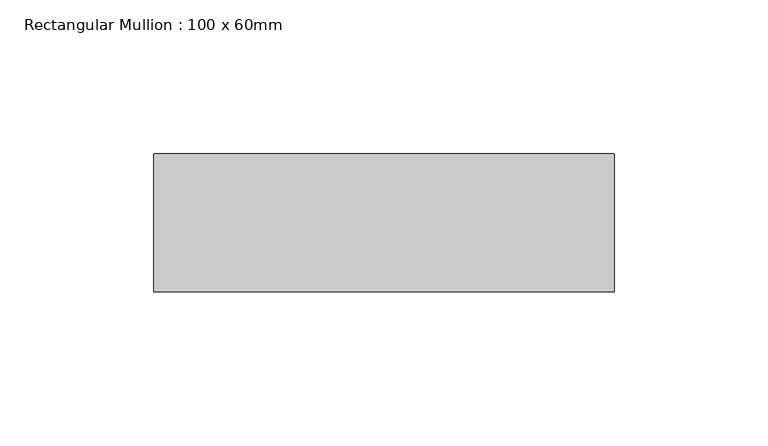
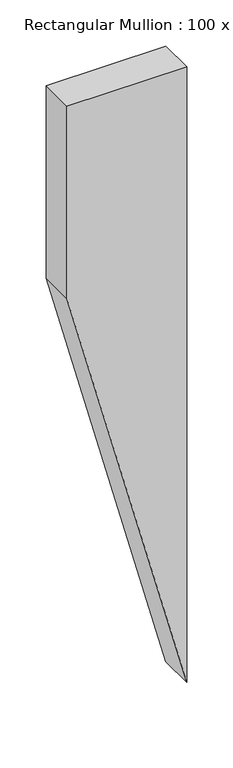
"""IFC4 building model written with IfcOpenShell, lengths in millimetres: member geometry, Rectangular Mullion : 100 x 60mm."""

from ifc_helpers import new_model, si_unit, frame, origin, place, context, project, spatial, polyline, outline, extrude, source, transform, mapped, element, save


def rectangular_mullion_100_x_60mm_6f07dc27(model_context):
    return source(origin(), model_context, "Body", "SweptSolid", [
        extrude(outline(polyline([(0.0, 75.0), (0.0, -75.0), (-254.5076507, -75.0), (-814.3152718, 75.0), (0.0, 75.0)])), frame((0.0, -30.0, 0.0), z_axis=(0.0, 1.0, 0.0), x_axis=(0.0, 0.0, 1.0)), (0.0, 0.0, 1.0), 45.0),
    ])


if __name__ == "__main__":
    model = new_model("IFC4")
    model_context = context("Model", 3, world=origin())
    ifc_project = project(units=[si_unit("LENGTHUNIT", "METRE", prefix="MILLI")], contexts=[model_context])
    site = spatial("IfcSite", under=ifc_project)
    building = spatial("IfcBuilding", under=site)
    placement = place(None, origin())
    rectangular_mullion_100_x_60mm_shape = rectangular_mullion_100_x_60mm_6f07dc27(model_context)
    element("IfcMember", 1, ObjectType="Rectangular Mullion : 100 x 60mm", at=placement, inside=building, context=model_context, shape_type="MappedRepresentation", body=[
        mapped(rectangular_mullion_100_x_60mm_shape, transform((0.0, 0.0, 0.0), x_axis=(1.0, 0.0, 0.0), y_axis=(0.0, 1.0, 0.0), z_axis=(0.0, 0.0, 1.0))),
    ])
    save(model, "model.ifc")
